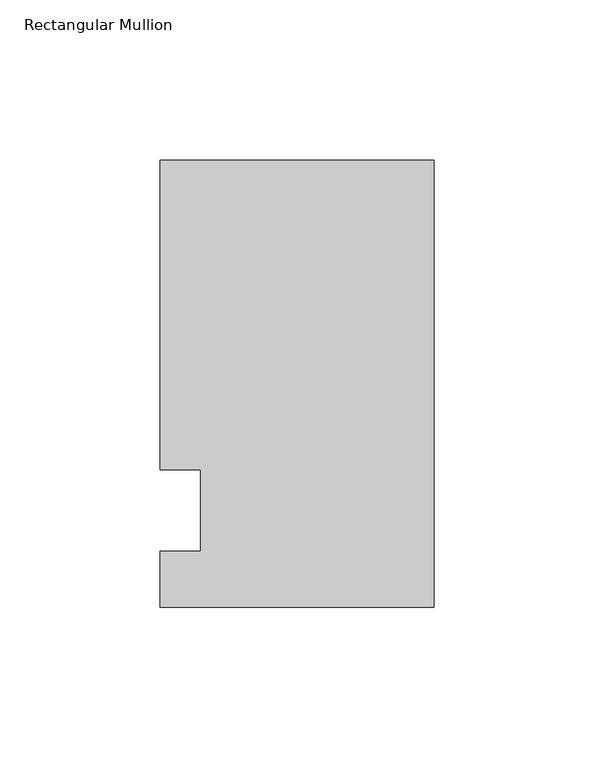
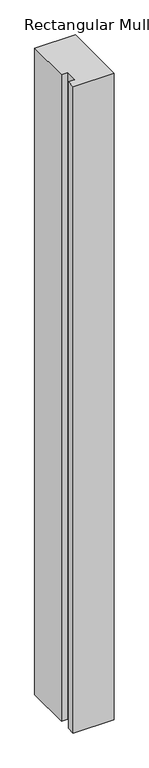
"""IFC4 building model written with IfcOpenShell, lengths in millimetres: member geometry, Rectangular Mullion."""

from ifc_helpers import new_model, si_unit, frame, origin, place, context, project, spatial, polyline, outline, extrude, source, transform, mapped, element, save


def rectangular_mullion_98e4e1fb(model_context):
    return source(origin(), model_context, "Body", "SweptSolid", [
        extrude(outline(polyline([(-85.725, 109.5375), (0.0, 109.5375), (0.0, -30.1625), (-85.725, -30.1625), (-85.725, -12.7), (-73.0232296, -12.7), (-73.0232296, 12.7), (-85.725, 12.7), (-85.725, 109.5375)])), frame((0.0, 0.0, -1430.8666667), z_axis=(0.0, 0.0, 1.0), x_axis=(1.0, 0.0, 0.0)), (0.0, 0.0, 1.0), 1430.8666667),
    ])


if __name__ == "__main__":
    model = new_model("IFC4")
    model_context = context("Model", 3, world=origin())
    ifc_project = project(units=[si_unit("LENGTHUNIT", "METRE", prefix="MILLI")], contexts=[model_context])
    site = spatial("IfcSite", under=ifc_project)
    building = spatial("IfcBuilding", under=site)
    placement = place(None, origin())
    rectangular_mullion_shape = rectangular_mullion_98e4e1fb(model_context)
    element("IfcMember", 1, ObjectType="Rectangular Mullion", at=placement, inside=building, context=model_context, shape_type="MappedRepresentation", body=[
        mapped(rectangular_mullion_shape, transform((0.0, 0.0, 0.0), x_axis=(1.0, 0.0, 0.0), y_axis=(0.0, 1.0, 0.0), z_axis=(0.0, 0.0, 1.0))),
    ])
    save(model, "model.ifc")
